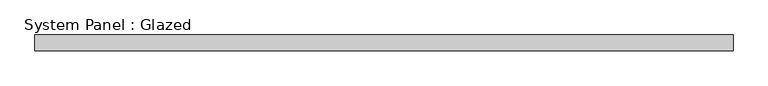
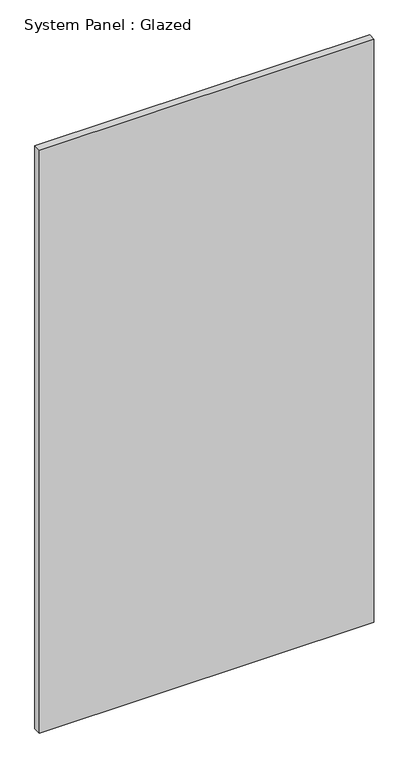
"""IFC4 building model written with IfcOpenShell, lengths in millimetres: plate geometry, System Panel : Glazed."""

from ifc_helpers import new_model, si_unit, origin, origin_with_axes, place, context, project, spatial, polyline, outline, extrude, source, transform, mapped, element, save


def system_panel_glazed_4b871d15(model_context):
    return source(origin(), model_context, "Body", "SweptSolid", [
        extrude(outline(polyline([(561.975, -44.45), (-561.975, -44.45), (-561.975, -19.05), (561.975, -19.05), (561.975, -44.45)])), origin_with_axes(), (0.0, 0.0, 1.0), 2070.1),
    ])


if __name__ == "__main__":
    model = new_model("IFC4")
    model_context = context("Model", 3, world=origin())
    ifc_project = project(units=[si_unit("LENGTHUNIT", "METRE", prefix="MILLI")], contexts=[model_context])
    site = spatial("IfcSite", under=ifc_project)
    building = spatial("IfcBuilding", under=site)
    placement = place(None, origin())
    system_panel_glazed_shape = system_panel_glazed_4b871d15(model_context)
    element("IfcPlate", 1, ObjectType="System Panel : Glazed", at=placement, inside=building, context=model_context, shape_type="MappedRepresentation", body=[
        mapped(system_panel_glazed_shape, transform((0.0, 0.0, 0.0), x_axis=(1.0, 0.0, 0.0), y_axis=(0.0, 1.0, 0.0), z_axis=(0.0, 0.0, 1.0))),
    ])
    save(model, "model.ifc")
